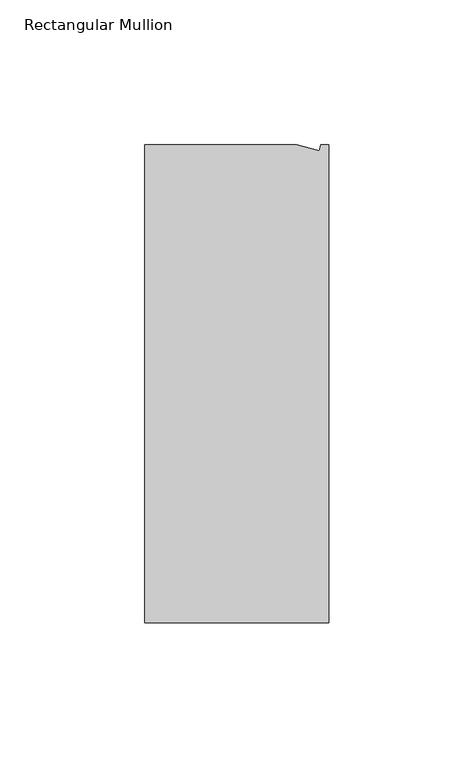
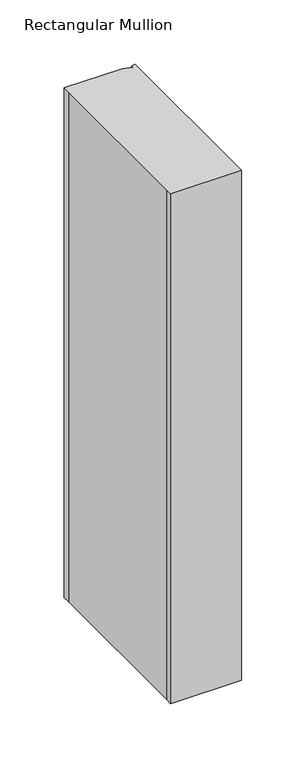
"""IFC4 building model written with IfcOpenShell, lengths in millimetres: member geometry, Rectangular Mullion."""

from ifc_helpers import new_model, si_unit, frame, origin, place, context, project, spatial, polyline, outline, extrude, source, transform, mapped, element, save


def rectangular_mullion_735fbf84(model_context):
    return source(origin(), model_context, "Body", "SweptSolid", [
        extrude(outline(polyline([(0.0, -132.5561012), (-63.5, -132.5561012), (-63.5, -126.2061012), (-63.5, 26.1938988), (-63.5, 32.5438988), (-11.1125, 32.5438988), (-3.3223696, 30.4565397), (-2.7630634, 32.5438988), (0.0, 32.5438988), (0.0, -132.5561012)])), frame((0.0, 0.0, -482.6), z_axis=(0.0, 0.0, 1.0), x_axis=(1.0, 0.0, 0.0)), (0.0, 0.0, 1.0), 482.6),
    ])


if __name__ == "__main__":
    model = new_model("IFC4")
    model_context = context("Model", 3, world=origin())
    ifc_project = project(units=[si_unit("LENGTHUNIT", "METRE", prefix="MILLI")], contexts=[model_context])
    site = spatial("IfcSite", under=ifc_project)
    building = spatial("IfcBuilding", under=site)
    placement = place(None, origin())
    rectangular_mullion_shape = rectangular_mullion_735fbf84(model_context)
    element("IfcMember", 1, ObjectType="Rectangular Mullion", at=placement, inside=building, context=model_context, shape_type="MappedRepresentation", body=[
        mapped(rectangular_mullion_shape, transform((0.0, 0.0, 0.0), x_axis=(1.0, 0.0, 0.0), y_axis=(0.0, 1.0, 0.0), z_axis=(0.0, 0.0, 1.0))),
    ])
    save(model, "model.ifc")
